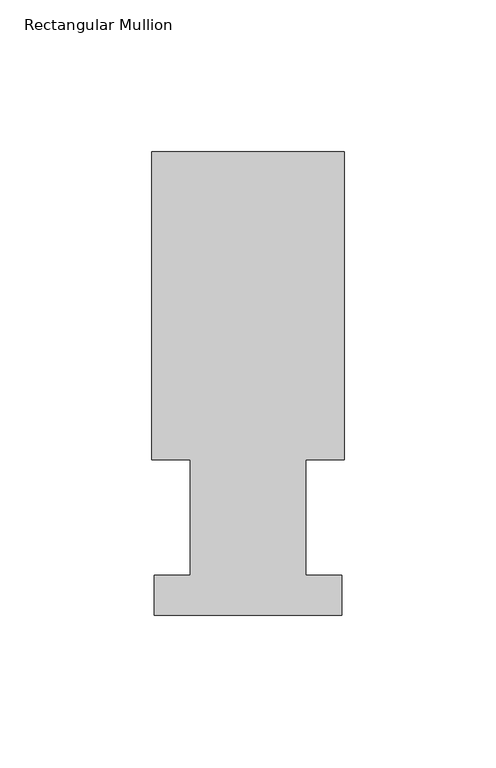
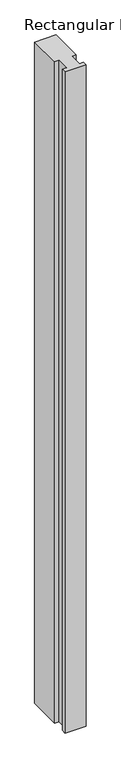
"""IFC4 building model written with IfcOpenShell, lengths in millimetres: member geometry, Rectangular Mullion."""

from ifc_helpers import new_model, si_unit, frame, origin, place, context, project, spatial, polyline, outline, extrude, source, transform, mapped, element, save


def rectangular_mullion_2186079e(model_context):
    return source(origin(), model_context, "Body", "SweptSolid", [
        extrude(outline(polyline([(-31.7499997, 152.8960948), (31.7500003, 152.8960948), (31.7500003, 51.2960938), (19.0499997, 51.2960938), (19.0499997, 13.1960948), (30.9626006, 13.1960948), (30.9626006, 0.0084148), (-30.9626003, 0.0084148), (-30.9626003, 13.1960948), (-19.0499991, 13.1960948), (-19.0499991, 51.2960938), (-31.7499997, 51.2960938), (-31.7499997, 152.8960948)])), frame((0.0, 0.0, -2057.4), z_axis=(0.0, 0.0, 1.0), x_axis=(1.0, 0.0, 0.0)), (0.0, 0.0, 1.0), 2057.4),
    ])


if __name__ == "__main__":
    model = new_model("IFC4")
    model_context = context("Model", 3, world=origin())
    ifc_project = project(units=[si_unit("LENGTHUNIT", "METRE", prefix="MILLI")], contexts=[model_context])
    site = spatial("IfcSite", under=ifc_project)
    building = spatial("IfcBuilding", under=site)
    placement = place(None, origin())
    rectangular_mullion_shape = rectangular_mullion_2186079e(model_context)
    element("IfcMember", 1, ObjectType="Rectangular Mullion", at=placement, inside=building, context=model_context, shape_type="MappedRepresentation", body=[
        mapped(rectangular_mullion_shape, transform((0.0, 0.0, 0.0), x_axis=(1.0, 0.0, 0.0), y_axis=(0.0, 1.0, 0.0), z_axis=(0.0, 0.0, 1.0))),
    ])
    save(model, "model.ifc")
